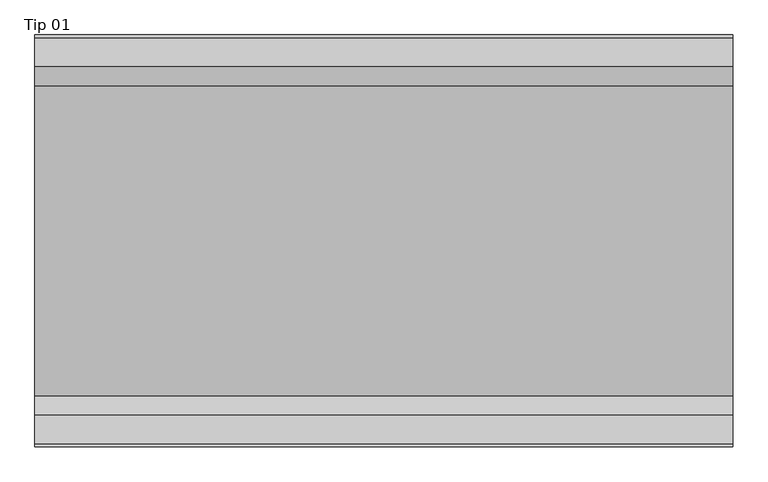
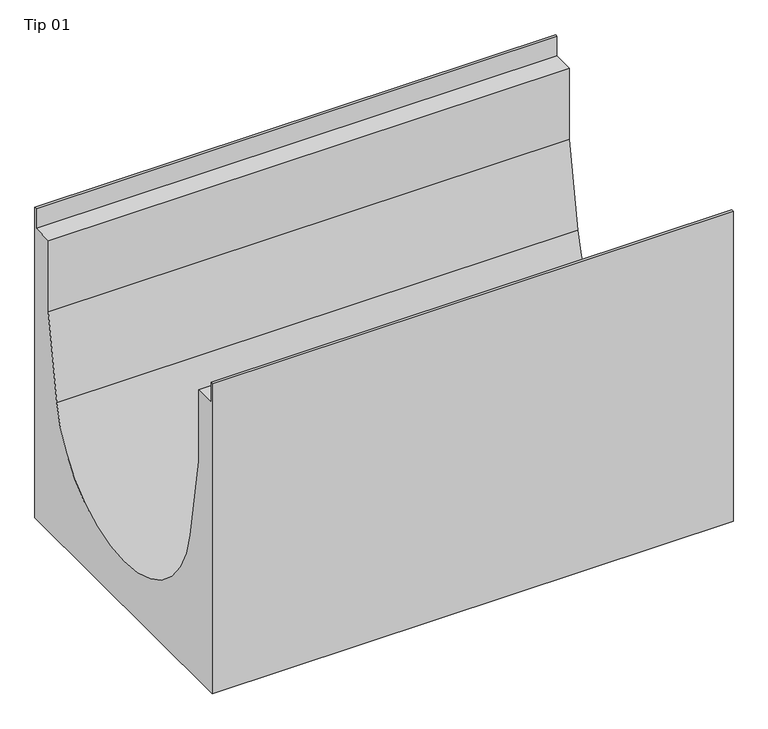
"""IFC4 building model written with IfcOpenShell, lengths in millimetres: proxy geometry, Tip 01."""

from ifc_helpers import new_model, si_unit, point, frame, frame_2d, origin, place, context, project, spatial, polyline, circle_curve, trimmed, segment, composite_curve, outline, extrude, source, transform, mapped, element, save


def tip_01_93a0ba7a(model_context):
    return source(origin(), model_context, "Body", "SweptSolid", [
        extrude(outline(composite_curve([segment(polyline([(-295.0, -630.0), (-295.0, 0.0), (-291.0, 0.0), (-291.0, -40.0), (-250.0, -40.0), (-250.0, -185.0), (-221.8889757, -352.2864917)]), True, "CONTINUOUS"), segment(trimmed(circle_curve(frame_2d((0.0, -315.0)), 225.0), [point((-221.8889757, -352.2864917))], [point((221.8889757, -352.2864917))], True, "CARTESIAN"), True, "CONTINUOUS"), segment(polyline([(221.8889757, -352.2864917), (250.0, -185.0), (250.0, -40.0), (291.0, -40.0), (291.0, 0.0), (295.0, 0.0), (295.0, -630.0), (-295.0, -630.0)]), True, "CONTINUOUS")], self_intersect=False)), frame((0.0, 0.0, 0.0), z_axis=(1.0, 0.0, 0.0), x_axis=(0.0, 1.0, 0.0)), (0.0, 0.0, 1.0), 1000.0),
    ])


if __name__ == "__main__":
    model = new_model("IFC4")
    model_context = context("Model", 3, world=origin())
    ifc_project = project(units=[si_unit("LENGTHUNIT", "METRE", prefix="MILLI")], contexts=[model_context])
    site = spatial("IfcSite", under=ifc_project)
    building = spatial("IfcBuilding", under=site)
    placement = place(None, origin())
    tip_01_shape = tip_01_93a0ba7a(model_context)
    element("IfcBuildingElementProxy", 1, Name="Tip 01", ObjectType="Tip 01", at=placement, inside=building, context=model_context, shape_type="MappedRepresentation", body=[
        mapped(tip_01_shape, transform((0.0, 0.0, 0.0), x_axis=(1.0, 0.0, 0.0), y_axis=(0.0, 1.0, 0.0), z_axis=(0.0, 0.0, 1.0))),
    ])
    save(model, "model.ifc")
